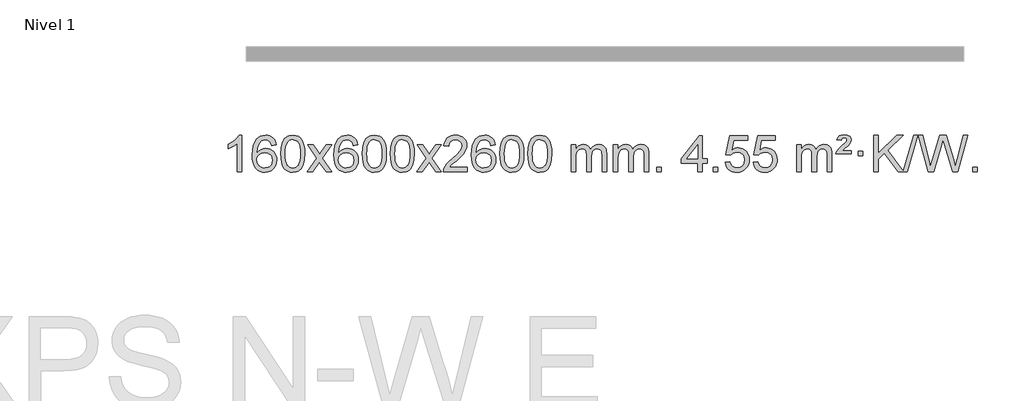
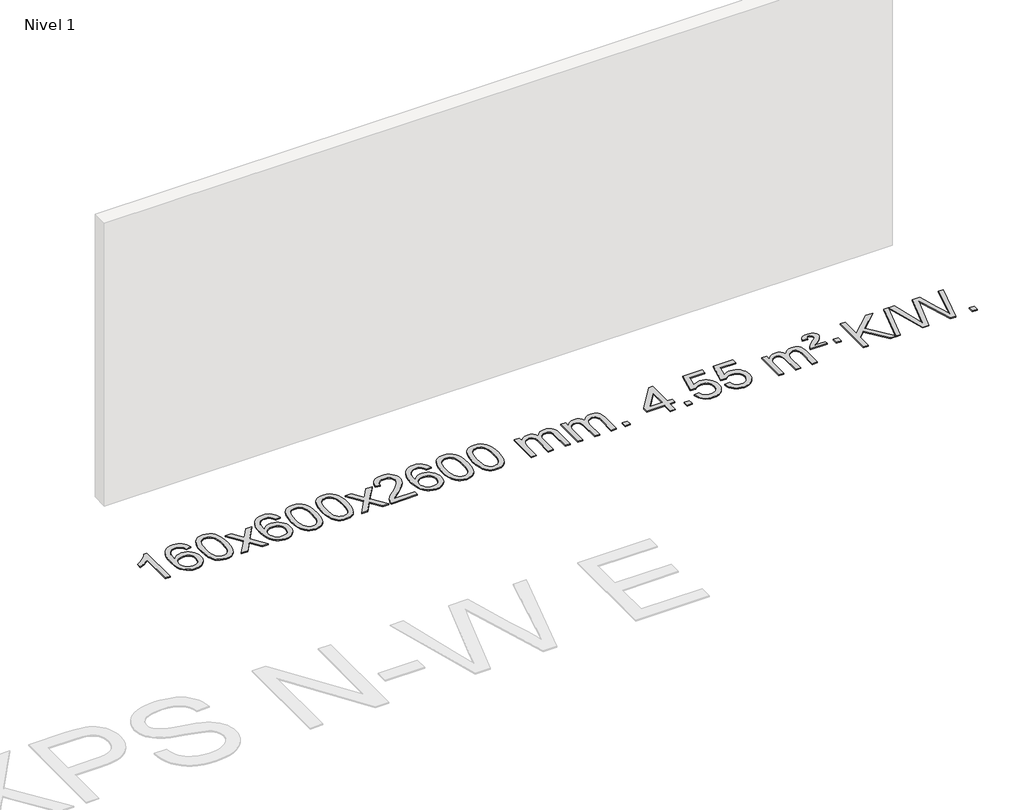
# One storey, part 4 of 12: 1 proxy.
"""IFC4 building model written with IfcOpenShell, lengths in millimetres."""

from ifc_helpers import new_model, si_unit, origin, origin_with_axes, place, context, project, spatial, polyline, outline, extrude, element, save

model = new_model("IFC4")

# Units and contexts
model_context = context("Model", 3, world=origin())
ifc_project = project(units=[si_unit("LENGTHUNIT", "METRE", prefix="MILLI")], contexts=[model_context])

# Site, building, storey
site = spatial("IfcSite", under=ifc_project)
building = spatial("IfcBuilding", under=site)
storey = spatial("IfcBuildingStorey", under=building, Name="Nivel 1", Elevation=0.0)

# Proxy
placement = place(None, origin())
element("IfcBuildingElementProxy", 1, Name="Texto de modelo 1", ObjectType="Texto de modelo 1", at=placement, inside=storey, context=model_context, shape_type="SweptSolid", body=[
    extrude(outline(polyline([(5124.5384212, -18387.579453), (5074.3102662, -18387.579453), (5074.3102662, -18074.4382987), (5053.3409924, -18091.3976587), (5026.7308615, -18108.3324932), (4973.853956, -18133.6918254), (4973.853956, -18086.2105225), (5013.3031686, -18064.7507395), (5047.479406, -18039.219729), (5074.4206308, -18012.0700378), (5092.1648057, -17985.7542124), (5124.5384212, -17985.7542124), (5124.5384212, -18387.579453)])), origin_with_axes(), (0.0, 0.0, 1.0), 10.0),
    extrude(outline(polyline([(5501.2495843, -18092.4890419), (5451.0214292, -18098.7675613), (5442.9280253, -18073.874213), (5431.9896673, -18056.8780648), (5409.2055091, -18041.2062918), (5381.6634104, -18035.9823675), (5358.3151664, -18039.0235253), (5336.3403486, -18048.1469988), (5317.4680022, -18067.3627017), (5302.0537466, -18093.8134171), (5291.6426862, -18131.227016), (5287.7799252, -18183.3313693), (5307.9275958, -18159.8237098), (5332.0729174, -18143.2567573), (5358.8669894, -18133.434308), (5386.9609111, -18130.1601582), (5411.09397, -18132.398107), (5433.3630935, -18139.1119534), (5453.7682815, -18150.3016975), (5472.309534, -18165.9673391), (5487.7176582, -18185.1769106), (5498.7234613, -18206.9984443), (5505.3269431, -18231.4319401), (5507.5281037, -18258.4773982), (5503.3832999, -18294.4439945), (5490.9488884, -18327.786366), (5471.254939, -18356.0642287), (5445.331521, -18376.8372987), (5414.355857, -18389.602804), (5379.5051694, -18393.8579724), (5349.5626406, -18391.0375437), (5322.5202483, -18382.5762579), (5298.3779924, -18368.4741147), (5277.1358728, -18348.7311143), (5259.8178279, -18322.5133908), (5247.4477958, -18288.9870783), (5240.0257766, -18248.1521768), (5237.5517702, -18200.0086864), (5240.2986224, -18146.0342663), (5248.5391791, -18099.9693092), (5262.2734402, -18061.8138149), (5281.5014058, -18031.5677835), (5302.3419209, -18011.5243462), (5326.5056366, -17997.2076052), (5353.992553, -17988.6175606), (5384.8026701, -17985.7542124), (5407.9363162, -17987.5261773), (5428.8749331, -17992.8420722), (5447.6185208, -18001.7018969), (5464.1670792, -18014.1056515), (5478.0730186, -18029.6364031), (5488.8887493, -18047.8772186), (5496.6142712, -18068.8280983), (5501.2495843, -18092.4890419)]), holes=[polyline([(5287.7799252, -18257.6925832), (5290.686193, -18279.9494439), (5299.4049963, -18301.2007605), (5312.9430537, -18319.472233), (5330.3070839, -18332.7895612), (5351.2640949, -18340.9197533), (5375.5810947, -18343.6298173), (5408.7272625, -18338.0134855), (5422.642399, -18330.9930708), (5434.7855705, -18321.1644901), (5444.6356109, -18308.9262824), (5451.6713541, -18294.6769865), (5457.2999486, -18260.1451299), (5451.7449305, -18226.9989621), (5444.8011578, -18213.3781312), (5435.0798761, -18201.725469), (5422.8999164, -18192.3904634), (5408.5801097, -18185.7226022), (5373.5209556, -18180.3883133), (5340.4238387, -18185.7226022), (5312.74685, -18201.725469), (5301.8238204, -18213.2248471), (5294.0216564, -18226.3858254), (5289.340358, -18241.2084042), (5287.7799252, -18257.6925832)])]), origin_with_axes(), (0.0, 0.0, 1.0), 10.0),
    extrude(outline(polyline([(5551.4777394, -18189.9041943), (5555.1688221, -18125.5861588), (5566.2420701, -18074.2911459), (5584.5871189, -18035.2343407), (5596.4451819, -18020.0009605), (5610.0936039, -18007.6309284), (5625.5783702, -17998.0598651), (5642.9454661, -17991.2233914), (5683.3266464, -17985.7542124), (5714.277785, -17988.991574), (5741.9915619, -17998.7036586), (5765.1681276, -18014.5103217), (5782.5076323, -18036.0314184), (5795.6042314, -18063.0830078), (5806.05208, -18095.4811488), (5812.8946851, -18136.6226186), (5815.1755535, -18189.9041943), (5811.521259, -18253.8543477), (5800.5583756, -18305.0267333), (5782.3236913, -18344.1203266), (5770.4932195, -18359.3996922), (5756.8539945, -18371.8341036), (5741.3508341, -18381.4695462), (5723.928556, -18388.3520052), (5683.3266464, -18393.8579724), (5655.6619204, -18391.4667394), (5631.1364541, -18384.2930405), (5609.7502474, -18372.3368757), (5591.5033004, -18355.5982449), (5573.9921175, -18325.3399508), (5561.4841296, -18287.6381776), (5553.9793369, -18242.4929255), (5551.4777394, -18189.9041943)]), holes=[polyline([(5601.7058944, -18189.8060924), (5603.1774224, -18233.4706195), (5607.5920064, -18268.8148822), (5614.9496463, -18295.8388804), (5625.2503421, -18314.5426142), (5637.709279, -18327.2682656), (5651.5416421, -18336.3580165), (5666.7474312, -18341.8118671), (5683.3266464, -18343.6298173), (5699.9058617, -18341.8057357), (5715.1116508, -18336.3334911), (5728.9440138, -18327.2130833), (5741.4029507, -18314.4445124), (5751.7036466, -18295.7101217), (5759.0612865, -18268.6922549), (5763.4758705, -18233.3909118), (5764.9473984, -18189.8060924), (5763.5249214, -18147.2973278), (5759.2574902, -18112.5753989), (5752.145105, -18085.6403055), (5742.1877657, -18066.4920476), (5729.9372952, -18053.1440625), (5715.9455167, -18043.6097875), (5700.21243, -18037.8892225), (5682.7380352, -18035.9823675), (5666.2446591, -18037.6623619), (5651.2963874, -18042.7023452), (5637.89322, -18051.1023175), (5626.0351571, -18062.8622786), (5615.3911047, -18083.708925), (5607.7882101, -18111.8151094), (5603.2264734, -18147.1808319), (5601.7058944, -18189.8060924)])]), origin_with_axes(), (0.0, 0.0, 1.0), 10.0),
    extrude(outline(polyline([(5840.2896311, -18387.579453), (5947.6130718, -18239.2494325), (5846.5681504, -18092.4890419), (5906.9988995, -18092.4890419), (5955.7555266, -18163.122385), (5978.5151594, -18196.4770192), (5998.2336343, -18169.2047007), (6053.7592901, -18092.4890419), (6114.1900392, -18092.4890419), (6008.0438209, -18239.2494325), (6110.2659646, -18387.579453), (6049.8352155, -18387.579453), (5988.3253459, -18298.4048574), (5977.0436314, -18282.1199477), (5900.7203801, -18387.579453), (5840.2896311, -18387.579453)])), origin_with_axes(), (0.0, 0.0, 1.0), 10.0),
    extrude(outline(polyline([(6399.0778563, -18092.4890419), (6348.8497012, -18098.7675613), (6340.7562973, -18073.874213), (6329.8179393, -18056.8780648), (6307.0337811, -18041.2062918), (6279.4916824, -18035.9823675), (6256.1434384, -18039.0235253), (6234.1686206, -18048.1469988), (6215.2962742, -18067.3627017), (6199.8820186, -18093.8134171), (6189.4709581, -18131.227016), (6185.6081972, -18183.3313693), (6205.7558678, -18159.8237098), (6229.9011894, -18143.2567573), (6256.6952614, -18133.434308), (6284.7891831, -18130.1601582), (6308.922242, -18132.398107), (6331.1913654, -18139.1119534), (6351.5965534, -18150.3016975), (6370.137806, -18165.9673391), (6385.5459302, -18185.1769106), (6396.5517332, -18206.9984443), (6403.155215, -18231.4319401), (6405.3563756, -18258.4773982), (6401.2115718, -18294.4439945), (6388.7771604, -18327.786366), (6369.0832109, -18356.0642287), (6343.159793, -18376.8372987), (6312.184129, -18389.602804), (6277.3334413, -18393.8579724), (6247.3909126, -18391.0375437), (6220.3485203, -18382.5762579), (6196.2062643, -18368.4741147), (6174.9641448, -18348.7311143), (6157.6460999, -18322.5133908), (6145.2760678, -18288.9870783), (6137.8540485, -18248.1521768), (6135.3800421, -18200.0086864), (6138.1268943, -18146.0342663), (6146.367451, -18099.9693092), (6160.1017122, -18061.8138149), (6179.3296778, -18031.5677835), (6200.1701928, -18011.5243462), (6224.3339085, -17997.2076052), (6251.820825, -17988.6175606), (6282.6309421, -17985.7542124), (6305.7645882, -17987.5261773), (6326.7032051, -17992.8420722), (6345.4467927, -18001.7018969), (6361.9953511, -18014.1056515), (6375.9012906, -18029.6364031), (6386.7170212, -18047.8772186), (6394.4425431, -18068.8280983), (6399.0778563, -18092.4890419)]), holes=[polyline([(6185.6081972, -18257.6925832), (6188.514465, -18279.9494439), (6197.2332682, -18301.2007605), (6210.7713257, -18319.472233), (6228.1353558, -18332.7895612), (6249.0923668, -18340.9197533), (6273.4093667, -18343.6298173), (6306.5555345, -18338.0134855), (6320.4706709, -18330.9930708), (6332.6138425, -18321.1644901), (6342.4638829, -18308.9262824), (6349.499626, -18294.6769865), (6355.1282206, -18260.1451299), (6349.5732024, -18226.9989621), (6342.6294298, -18213.3781312), (6332.9081481, -18201.725469), (6320.7281883, -18192.3904634), (6306.4083817, -18185.7226022), (6271.3492275, -18180.3883133), (6238.2521107, -18185.7226022), (6210.5751219, -18201.725469), (6199.6520924, -18213.2248471), (6191.8499284, -18226.3858254), (6187.16863, -18241.2084042), (6185.6081972, -18257.6925832)])]), origin_with_axes(), (0.0, 0.0, 1.0), 10.0),
    extrude(outline(polyline([(6449.3060113, -18189.9041943), (6452.997094, -18125.5861588), (6464.0703421, -18074.2911459), (6482.4153909, -18035.2343407), (6494.2734539, -18020.0009605), (6507.9218759, -18007.6309284), (6523.4066422, -17998.0598651), (6540.7737381, -17991.2233914), (6581.1549184, -17985.7542124), (6612.1060569, -17988.991574), (6639.8198339, -17998.7036586), (6662.9963996, -18014.5103217), (6680.3359043, -18036.0314184), (6693.4325033, -18063.0830078), (6703.880352, -18095.4811488), (6710.7229571, -18136.6226186), (6713.0038255, -18189.9041943), (6709.349531, -18253.8543477), (6698.3866475, -18305.0267333), (6680.1519633, -18344.1203266), (6668.3214915, -18359.3996922), (6654.6822665, -18371.8341036), (6639.1791061, -18381.4695462), (6621.7568279, -18388.3520052), (6581.1549184, -18393.8579724), (6553.4901924, -18391.4667394), (6528.964726, -18384.2930405), (6507.5785194, -18372.3368757), (6489.3315724, -18355.5982449), (6471.8203894, -18325.3399508), (6459.3124016, -18287.6381776), (6451.8076089, -18242.4929255), (6449.3060113, -18189.9041943)]), holes=[polyline([(6499.5341664, -18189.8060924), (6501.0056944, -18233.4706195), (6505.4202783, -18268.8148822), (6512.7779182, -18295.8388804), (6523.0786141, -18314.5426142), (6535.537551, -18327.2682656), (6549.369914, -18336.3580165), (6564.5757032, -18341.8118671), (6581.1549184, -18343.6298173), (6597.7341337, -18341.8057357), (6612.9399228, -18336.3334911), (6626.7722858, -18327.2130833), (6639.2312227, -18314.4445124), (6649.5319186, -18295.7101217), (6656.8895585, -18268.6922549), (6661.3041424, -18233.3909118), (6662.7756704, -18189.8060924), (6661.3531934, -18147.2973278), (6657.0857622, -18112.5753989), (6649.973377, -18085.6403055), (6640.0160376, -18066.4920476), (6627.7655672, -18053.1440625), (6613.7737886, -18043.6097875), (6598.040702, -18037.8892225), (6580.5663072, -18035.9823675), (6564.0729311, -18037.6623619), (6549.1246594, -18042.7023452), (6535.721492, -18051.1023175), (6523.863429, -18062.8622786), (6513.2193766, -18083.708925), (6505.6164821, -18111.8151094), (6501.0547453, -18147.1808319), (6499.5341664, -18189.8060924)])]), origin_with_axes(), (0.0, 0.0, 1.0), 10.0),
    extrude(outline(polyline([(6756.9534612, -18189.9041943), (6760.6445439, -18125.5861588), (6771.7177919, -18074.2911459), (6790.0628407, -18035.2343407), (6801.9209037, -18020.0009605), (6815.5693257, -18007.6309284), (6831.054092, -17998.0598651), (6848.4211879, -17991.2233914), (6888.8023682, -17985.7542124), (6919.7535068, -17988.991574), (6947.4672837, -17998.7036586), (6970.6438494, -18014.5103217), (6987.9833541, -18036.0314184), (7001.0799532, -18063.0830078), (7011.5278018, -18095.4811488), (7018.3704069, -18136.6226186), (7020.6512753, -18189.9041943), (7016.9969808, -18253.8543477), (7006.0340974, -18305.0267333), (6987.7994131, -18344.1203266), (6975.9689413, -18359.3996922), (6962.3297163, -18371.8341036), (6946.8265559, -18381.4695462), (6929.4042778, -18388.3520052), (6888.8023682, -18393.8579724), (6861.1376422, -18391.4667394), (6836.6121759, -18384.2930405), (6815.2259692, -18372.3368757), (6796.9790222, -18355.5982449), (6779.4678393, -18325.3399508), (6766.9598514, -18287.6381776), (6759.4550587, -18242.4929255), (6756.9534612, -18189.9041943)]), holes=[polyline([(6807.1816162, -18189.8060924), (6808.6531442, -18233.4706195), (6813.0677282, -18268.8148822), (6820.4253681, -18295.8388804), (6830.7260639, -18314.5426142), (6843.1850008, -18327.2682656), (6857.0173639, -18336.3580165), (6872.223153, -18341.8118671), (6888.8023682, -18343.6298173), (6905.3815835, -18341.8057357), (6920.5873726, -18336.3334911), (6934.4197356, -18327.2130833), (6946.8786725, -18314.4445124), (6957.1793684, -18295.7101217), (6964.5370083, -18268.6922549), (6968.9515923, -18233.3909118), (6970.4231202, -18189.8060924), (6969.0006432, -18147.2973278), (6964.733212, -18112.5753989), (6957.6208268, -18085.6403055), (6947.6634875, -18066.4920476), (6935.413017, -18053.1440625), (6921.4212385, -18043.6097875), (6905.6881518, -18037.8892225), (6888.213757, -18035.9823675), (6871.7203809, -18037.6623619), (6856.7721092, -18042.7023452), (6843.3689418, -18051.1023175), (6831.5108789, -18062.8622786), (6820.8668265, -18083.708925), (6813.2639319, -18111.8151094), (6808.7021952, -18147.1808319), (6807.1816162, -18189.8060924)])]), origin_with_axes(), (0.0, 0.0, 1.0), 10.0),
    extrude(outline(polyline([(7045.7653528, -18387.579453), (7153.0887936, -18239.2494325), (7052.0438722, -18092.4890419), (7112.4746213, -18092.4890419), (7161.2312484, -18163.122385), (7183.9908812, -18196.4770192), (7203.7093561, -18169.2047007), (7259.2350119, -18092.4890419), (7319.665761, -18092.4890419), (7213.5195426, -18239.2494325), (7315.7416864, -18387.579453), (7255.3109373, -18387.579453), (7193.8010677, -18298.4048574), (7182.5193532, -18282.1199477), (7106.1961019, -18387.579453), (7045.7653528, -18387.579453)])), origin_with_axes(), (0.0, 0.0, 1.0), 10.0),
    extrude(outline(polyline([(7604.5535781, -18337.3512979), (7604.5535781, -18387.579453), (7340.8557639, -18387.579453), (7341.9594099, -18369.8965918), (7346.2513665, -18352.9494945), (7358.636727, -18325.8856424), (7376.7610466, -18299.6311307), (7402.9787702, -18272.1503456), (7439.6443423, -18241.4076736), (7493.845623, -18193.2641831), (7526.3663913, -18157.7267824), (7542.6267755, -18128.884834), (7548.0469036, -18100.8277005), (7542.9333439, -18075.6768347), (7527.5926647, -18054.7688747), (7504.0114288, -18040.6789943), (7474.176199, -18035.9823675), (7442.8449157, -18040.5686297), (7418.5033904, -18054.3274163), (7402.7948292, -18076.1796068), (7397.3624384, -18105.0460807), (7347.1342833, -18098.7675613), (7351.4538311, -18072.838012), (7359.3111773, -18050.1826125), (7370.7063221, -18030.8013627), (7385.6392655, -18014.6942627), (7403.7666508, -18002.0329907), (7424.7451215, -17992.989225), (7448.5746778, -17987.5629655), (7475.2553195, -17985.7542124), (7502.1750845, -17987.7653006), (7526.1333994, -17993.7985654), (7547.1302643, -18003.8540066), (7565.1656791, -18017.9316242), (7579.6510327, -18034.9890861), (7589.9977138, -18053.9840598), (7596.2057224, -18074.9165453), (7598.2750587, -18097.7865427), (7596.0432412, -18121.8092369), (7589.3477889, -18145.4149983), (7577.4652005, -18169.4254299), (7559.6719746, -18194.6621347), (7531.3082728, -18224.7916701), (7487.7142564, -18263.4805933), (7429.9322577, -18311.795762), (7407.2707268, -18337.3512979), (7604.5535781, -18337.3512979)])), origin_with_axes(), (0.0, 0.0, 1.0), 10.0),
    extrude(outline(polyline([(7912.2010279, -18092.4890419), (7861.9728728, -18098.7675613), (7853.8794689, -18073.874213), (7842.9411109, -18056.8780648), (7820.1569527, -18041.2062918), (7792.614854, -18035.9823675), (7769.26661, -18039.0235253), (7747.2917922, -18048.1469988), (7728.4194458, -18067.3627017), (7713.0051902, -18093.8134171), (7702.5941298, -18131.227016), (7698.7313688, -18183.3313693), (7718.8790394, -18159.8237098), (7743.024361, -18143.2567573), (7769.818433, -18133.434308), (7797.9123547, -18130.1601582), (7822.0454136, -18132.398107), (7844.314537, -18139.1119534), (7864.719725, -18150.3016975), (7883.2609776, -18165.9673391), (7898.6691018, -18185.1769106), (7909.6749049, -18206.9984443), (7916.2783867, -18231.4319401), (7918.4795473, -18258.4773982), (7914.3347435, -18294.4439945), (7901.900332, -18327.786366), (7882.2063825, -18356.0642287), (7856.2829646, -18376.8372987), (7825.3073006, -18389.602804), (7790.4566129, -18393.8579724), (7760.5140842, -18391.0375437), (7733.4716919, -18382.5762579), (7709.329436, -18368.4741147), (7688.0873164, -18348.7311143), (7670.7692715, -18322.5133908), (7658.3992394, -18288.9870783), (7650.9772202, -18248.1521768), (7648.5032137, -18200.0086864), (7651.250066, -18146.0342663), (7659.4906227, -18099.9693092), (7673.2248838, -18061.8138149), (7692.4528494, -18031.5677835), (7713.2933645, -18011.5243462), (7737.4570802, -17997.2076052), (7764.9439966, -17988.6175606), (7795.7541137, -17985.7542124), (7818.8877598, -17987.5261773), (7839.8263767, -17992.8420722), (7858.5699644, -18001.7018969), (7875.1185228, -18014.1056515), (7889.0244622, -18029.6364031), (7899.8401928, -18047.8772186), (7907.5657147, -18068.8280983), (7912.2010279, -18092.4890419)]), holes=[polyline([(7698.7313688, -18257.6925832), (7701.6376366, -18279.9494439), (7710.3564399, -18301.2007605), (7723.8944973, -18319.472233), (7741.2585275, -18332.7895612), (7762.2155385, -18340.9197533), (7786.5325383, -18343.6298173), (7819.6787061, -18338.0134855), (7833.5938426, -18330.9930708), (7845.7370141, -18321.1644901), (7855.5870545, -18308.9262824), (7862.6227977, -18294.6769865), (7868.2513922, -18260.1451299), (7862.6963741, -18226.9989621), (7855.7526014, -18213.3781312), (7846.0313197, -18201.725469), (7833.85136, -18192.3904634), (7819.5315533, -18185.7226022), (7784.4723992, -18180.3883133), (7751.3752823, -18185.7226022), (7723.6982936, -18201.725469), (7712.775264, -18213.2248471), (7704.9731, -18226.3858254), (7700.2918016, -18241.2084042), (7698.7313688, -18257.6925832)])]), origin_with_axes(), (0.0, 0.0, 1.0), 10.0),
    extrude(outline(polyline([(7962.429183, -18189.9041943), (7966.1202656, -18125.5861588), (7977.1935137, -18074.2911459), (7995.5385625, -18035.2343407), (8007.3966255, -18020.0009605), (8021.0450475, -18007.6309284), (8036.5298138, -17998.0598651), (8053.8969097, -17991.2233914), (8094.27809, -17985.7542124), (8125.2292286, -17988.991574), (8152.9430055, -17998.7036586), (8176.1195712, -18014.5103217), (8193.4590759, -18036.0314184), (8206.555675, -18063.0830078), (8217.0035236, -18095.4811488), (8223.8461287, -18136.6226186), (8226.1269971, -18189.9041943), (8222.4727026, -18253.8543477), (8211.5098192, -18305.0267333), (8193.2751349, -18344.1203266), (8181.4446631, -18359.3996922), (8167.8054381, -18371.8341036), (8152.3022777, -18381.4695462), (8134.8799996, -18388.3520052), (8094.27809, -18393.8579724), (8066.613364, -18391.4667394), (8042.0878976, -18384.2930405), (8020.701691, -18372.3368757), (8002.454744, -18355.5982449), (7984.9435611, -18325.3399508), (7972.4355732, -18287.6381776), (7964.9307805, -18242.4929255), (7962.429183, -18189.9041943)]), holes=[polyline([(8012.657338, -18189.8060924), (8014.128866, -18233.4706195), (8018.54345, -18268.8148822), (8025.9010899, -18295.8388804), (8036.2017857, -18314.5426142), (8048.6607226, -18327.2682656), (8062.4930856, -18336.3580165), (8077.6988748, -18341.8118671), (8094.27809, -18343.6298173), (8110.8573053, -18341.8057357), (8126.0630944, -18336.3334911), (8139.8954574, -18327.2130833), (8152.3543943, -18314.4445124), (8162.6550902, -18295.7101217), (8170.0127301, -18268.6922549), (8174.427314, -18233.3909118), (8175.898842, -18189.8060924), (8174.476365, -18147.2973278), (8170.2089338, -18112.5753989), (8163.0965486, -18085.6403055), (8153.1392093, -18066.4920476), (8140.8887388, -18053.1440625), (8126.8969603, -18043.6097875), (8111.1638736, -18037.8892225), (8093.6894788, -18035.9823675), (8077.1961027, -18037.6623619), (8062.247831, -18042.7023452), (8048.8446636, -18051.1023175), (8036.9866007, -18062.8622786), (8026.3425483, -18083.708925), (8018.7396537, -18111.8151094), (8014.1779169, -18147.1808319), (8012.657338, -18189.8060924)])]), origin_with_axes(), (0.0, 0.0, 1.0), 10.0),
    extrude(outline(polyline([(8270.0766328, -18189.9041943), (8273.7677155, -18125.5861588), (8284.8409635, -18074.2911459), (8303.1860124, -18035.2343407), (8315.0440753, -18020.0009605), (8328.6924974, -18007.6309284), (8344.1772637, -17998.0598651), (8361.5443595, -17991.2233914), (8401.9255399, -17985.7542124), (8432.8766784, -17988.991574), (8460.5904554, -17998.7036586), (8483.7670211, -18014.5103217), (8501.1065258, -18036.0314184), (8514.2031248, -18063.0830078), (8524.6509735, -18095.4811488), (8531.4935786, -18136.6226186), (8533.7744469, -18189.9041943), (8530.1201525, -18253.8543477), (8519.157269, -18305.0267333), (8500.9225848, -18344.1203266), (8489.0921129, -18359.3996922), (8475.452888, -18371.8341036), (8459.9497276, -18381.4695462), (8442.5274494, -18388.3520052), (8401.9255399, -18393.8579724), (8374.2608138, -18391.4667394), (8349.7353475, -18384.2930405), (8328.3491408, -18372.3368757), (8310.1021939, -18355.5982449), (8292.5910109, -18325.3399508), (8280.0830231, -18287.6381776), (8272.5782304, -18242.4929255), (8270.0766328, -18189.9041943)]), holes=[polyline([(8320.3047879, -18189.8060924), (8321.7763158, -18233.4706195), (8326.1908998, -18268.8148822), (8333.5485397, -18295.8388804), (8343.8492356, -18314.5426142), (8356.3081725, -18327.2682656), (8370.1405355, -18336.3580165), (8385.3463246, -18341.8118671), (8401.9255399, -18343.6298173), (8418.5047551, -18341.8057357), (8433.7105442, -18336.3334911), (8447.5429073, -18327.2130833), (8460.0018442, -18314.4445124), (8470.30254, -18295.7101217), (8477.6601799, -18268.6922549), (8482.0747639, -18233.3909118), (8483.5462919, -18189.8060924), (8482.1238148, -18147.2973278), (8477.8563837, -18112.5753989), (8470.7439984, -18085.6403055), (8460.7866591, -18066.4920476), (8448.5361887, -18053.1440625), (8434.5444101, -18043.6097875), (8418.8113234, -18037.8892225), (8401.3369287, -18035.9823675), (8384.8435526, -18037.6623619), (8369.8952808, -18042.7023452), (8356.4921135, -18051.1023175), (8344.6340505, -18062.8622786), (8333.9899981, -18083.708925), (8326.3871035, -18111.8151094), (8321.8253668, -18147.1808319), (8320.3047879, -18189.8060924)])]), origin_with_axes(), (0.0, 0.0, 1.0), 10.0),
    extrude(outline(polyline([(8747.244106, -18387.579453), (8747.244106, -18092.4890419), (8797.4722611, -18092.4890419), (8797.4722611, -18141.0494653), (8812.5799483, -18118.7435537), (8832.0041177, -18101.2691589), (8855.0825815, -18089.9751816), (8881.1531522, -18086.2105225), (8909.0876584, -18090.048758), (8931.4794092, -18101.5634645), (8948.2057772, -18119.9943524), (8959.1441352, -18144.5811324), (8977.4523959, -18119.0439906), (8998.3358304, -18100.803175), (9021.794439, -18089.8586857), (9047.8282215, -18086.2105225), (9067.9360383, -18087.7280358), (9085.585177, -18092.2805755), (9100.7756377, -18099.8681416), (9113.5074204, -18110.4907342), (9123.5720587, -18124.2709806), (9130.761086, -18141.3315082), (9135.0745024, -18161.6723168), (9136.5123078, -18185.2934066), (9136.5123078, -18387.579453), (9086.2841528, -18387.579453), (9086.2841528, -18206.875817), (9085.1191931, -18181.8230531), (9081.6243142, -18164.9372695), (9075.0760146, -18153.3735121), (9064.7507933, -18144.2868268), (9051.4702533, -18138.4007149), (9036.0559977, -18136.4386776), (9008.8449928, -18141.4663982), (8986.6617085, -18156.54956), (8978.0563355, -18168.1194488), (8971.9096405, -18182.7182326), (8966.9922845, -18221.0024856), (8966.9922845, -18387.579453), (8916.7641294, -18387.579453), (8916.7641294, -18201.2840106), (8913.8578616, -18172.8835206), (8905.1390583, -18152.6254854), (8889.7983791, -18140.4853796), (8867.0264836, -18136.4386776), (8847.6758907, -18139.1364789), (8829.8458767, -18147.2298828), (8815.1305968, -18160.5226856), (8805.1242066, -18178.8186835), (8799.3852475, -18204.2025411), (8797.4722611, -18238.7589232), (8797.4722611, -18387.579453), (8747.244106, -18387.579453)])), origin_with_axes(), (0.0, 0.0, 1.0), 10.0),
    extrude(outline(polyline([(9211.8545404, -18387.579453), (9211.8545404, -18092.4890419), (9262.0826955, -18092.4890419), (9262.0826955, -18141.0494653), (9277.1903828, -18118.7435537), (9296.6145521, -18101.2691589), (9319.693016, -18089.9751816), (9345.7635867, -18086.2105225), (9373.6980929, -18090.048758), (9396.0898436, -18101.5634645), (9412.8162117, -18119.9943524), (9423.7545697, -18144.5811324), (9442.0628303, -18119.0439906), (9462.9462649, -18100.803175), (9486.4048734, -18089.8586857), (9512.438656, -18086.2105225), (9532.5464727, -18087.7280358), (9550.1956114, -18092.2805755), (9565.3860721, -18099.8681416), (9578.1178548, -18110.4907342), (9588.1824931, -18124.2709806), (9595.3715204, -18141.3315082), (9599.6849368, -18161.6723168), (9601.1227423, -18185.2934066), (9601.1227423, -18387.579453), (9550.8945872, -18387.579453), (9550.8945872, -18206.875817), (9549.7296276, -18181.8230531), (9546.2347486, -18164.9372695), (9539.6864491, -18153.3735121), (9529.3612278, -18144.2868268), (9516.0806877, -18138.4007149), (9500.6664321, -18136.4386776), (9473.4554272, -18141.4663982), (9451.2721429, -18156.54956), (9442.6667699, -18168.1194488), (9436.5200749, -18182.7182326), (9431.6027189, -18221.0024856), (9431.6027189, -18387.579453), (9381.3745638, -18387.579453), (9381.3745638, -18201.2840106), (9378.4682961, -18172.8835206), (9369.7494928, -18152.6254854), (9354.4088136, -18140.4853796), (9331.6369181, -18136.4386776), (9312.2863251, -18139.1364789), (9294.4563111, -18147.2298828), (9279.7410313, -18160.5226856), (9269.734641, -18178.8186835), (9263.9956819, -18204.2025411), (9262.0826955, -18238.7589232), (9262.0826955, -18387.579453), (9211.8545404, -18387.579453)])), origin_with_axes(), (0.0, 0.0, 1.0), 10.0),
    extrude(outline(polyline([(9689.0220137, -18387.579453), (9689.0220137, -18337.3512979), (9739.2501687, -18337.3512979), (9739.2501687, -18387.579453), (9689.0220137, -18387.579453)])), origin_with_axes(), (0.0, 0.0, 1.0), 10.0),
    extrude(outline(polyline([(10141.0754093, -18387.579453), (10141.0754093, -18293.4016622), (9958.9983472, -18293.4016622), (9958.9983472, -18243.1735072), (10153.6324481, -17992.0327318), (10191.3035644, -17992.0327318), (10191.3035644, -18243.1735072), (10241.5317195, -18243.1735072), (10241.5317195, -18293.4016622), (10191.3035644, -18293.4016622), (10191.3035644, -18387.579453), (10141.0754093, -18387.579453)]), holes=[polyline([(10141.0754093, -18243.1735072), (10141.0754093, -18087.9763561), (10020.8025224, -18243.1735072), (10141.0754093, -18243.1735072)])]), origin_with_axes(), (0.0, 0.0, 1.0), 10.0),
    extrude(outline(polyline([(10310.5954327, -18387.579453), (10310.5954327, -18337.3512979), (10360.8235878, -18337.3512979), (10360.8235878, -18387.579453), (10310.5954327, -18387.579453)])), origin_with_axes(), (0.0, 0.0, 1.0), 10.0),
    extrude(outline(polyline([(10442.4443398, -18280.8446235), (10492.6724949, -18274.5661041), (10501.8940702, -18304.7201649), (10517.9827761, -18326.3148381), (10540.8650362, -18339.3010725), (10570.4672741, -18343.6298173), (10589.5971379, -18342.1245668), (10606.4706587, -18337.6088153), (10621.0878366, -18330.0825628), (10633.4486717, -18319.5458094), (10643.2772523, -18306.519721), (10650.2976671, -18291.5254641), (10655.9139988, -18255.6324441), (10650.6532863, -18221.8363514), (10644.0773957, -18207.9181493), (10634.8711487, -18195.9865099), (10623.0038887, -18186.4154467), (10608.4449587, -18179.5789729), (10571.252089, -18174.1097939), (10546.8860382, -18176.2925604), (10527.1553005, -18182.8408599), (10511.3976884, -18192.8717757), (10498.9510142, -18205.5023908), (10448.7228592, -18199.2238715), (10492.6724949, -17992.0327318), (10687.3065958, -17992.0327318), (10687.3065958, -18042.2608869), (10533.2866671, -18042.2608869), (10511.8023586, -18152.919791), (10529.5281394, -18140.2155994), (10547.6831159, -18131.1411769), (10566.267288, -18125.6965234), (10585.2806558, -18123.8816388), (10609.7417428, -18126.1318504), (10632.2101356, -18132.882485), (10652.6858343, -18144.1335427), (10671.1688389, -18159.8850234), (10686.4696642, -18179.1743027), (10697.3988252, -18201.038756), (10703.9563217, -18225.4783832), (10706.1421539, -18252.4931844), (10704.1739852, -18278.5147042), (10698.2694792, -18302.7213394), (10688.4286359, -18325.1130902), (10674.6514551, -18345.6899565), (10653.7802833, -18366.7634634), (10629.4264952, -18381.8159684), (10601.5900909, -18390.8474714), (10570.2710704, -18393.8579724), (10544.3507181, -18391.9235262), (10520.9380948, -18386.1201877), (10500.0332004, -18376.447957), (10481.636035, -18362.9068338), (10466.3290783, -18346.1712688), (10454.6948102, -18326.915712), (10446.7332307, -18305.1401636), (10442.4443398, -18280.8446235)])), origin_with_axes(), (0.0, 0.0, 1.0), 10.0),
    extrude(outline(polyline([(10750.0917896, -18280.8446235), (10800.3199447, -18274.5661041), (10809.54152, -18304.7201649), (10825.630226, -18326.3148381), (10848.5124861, -18339.3010725), (10878.1147239, -18343.6298173), (10897.2445877, -18342.1245668), (10914.1181085, -18337.6088153), (10928.7352865, -18330.0825628), (10941.0961215, -18319.5458094), (10950.9247021, -18306.519721), (10957.9451169, -18291.5254641), (10963.5614487, -18255.6324441), (10958.3007361, -18221.8363514), (10951.7248455, -18207.9181493), (10942.5185986, -18195.9865099), (10930.6513385, -18186.4154467), (10916.0924086, -18179.5789729), (10878.8995389, -18174.1097939), (10854.533488, -18176.2925604), (10834.8027504, -18182.8408599), (10819.0451382, -18192.8717757), (10806.5984641, -18205.5023908), (10756.370309, -18199.2238715), (10800.3199447, -17992.0327318), (10994.9540456, -17992.0327318), (10994.9540456, -18042.2608869), (10840.934117, -18042.2608869), (10819.4498084, -18152.919791), (10837.1755892, -18140.2155994), (10855.3305657, -18131.1411769), (10873.9147378, -18125.6965234), (10892.9281056, -18123.8816388), (10917.3891926, -18126.1318504), (10939.8575855, -18132.882485), (10960.3332842, -18144.1335427), (10978.8162887, -18159.8850234), (10994.1171141, -18179.1743027), (11005.046275, -18201.038756), (11011.6037716, -18225.4783832), (11013.7896038, -18252.4931844), (11011.8214351, -18278.5147042), (11005.9169291, -18302.7213394), (10996.0760857, -18325.1130902), (10982.298905, -18345.6899565), (10961.4277331, -18366.7634634), (10937.073945, -18381.8159684), (10909.2375407, -18390.8474714), (10877.9185202, -18393.8579724), (10851.998168, -18391.9235262), (10828.5855447, -18386.1201877), (10807.6806503, -18376.447957), (10789.2834848, -18362.9068338), (10773.9765281, -18346.1712688), (10762.3422601, -18326.915712), (10754.3806805, -18305.1401636), (10750.0917896, -18280.8446235)])), origin_with_axes(), (0.0, 0.0, 1.0), 10.0),
    extrude(outline(polyline([(11227.2592628, -18387.579453), (11227.2592628, -18092.4890419), (11277.4874179, -18092.4890419), (11277.4874179, -18141.0494653), (11292.5951052, -18118.7435537), (11312.0192745, -18101.2691589), (11335.0977383, -18089.9751816), (11361.1683091, -18086.2105225), (11389.1028152, -18090.048758), (11411.494566, -18101.5634645), (11428.2209341, -18119.9943524), (11439.159292, -18144.5811324), (11457.4675527, -18119.0439906), (11478.3509873, -18100.803175), (11501.8095958, -18089.8586857), (11527.8433783, -18086.2105225), (11547.9511951, -18087.7280358), (11565.6003338, -18092.2805755), (11580.7907945, -18099.8681416), (11593.5225772, -18110.4907342), (11603.5872155, -18124.2709806), (11610.7762428, -18141.3315082), (11615.0896592, -18161.6723168), (11616.5274647, -18185.2934066), (11616.5274647, -18387.579453), (11566.2993096, -18387.579453), (11566.2993096, -18206.875817), (11565.1343499, -18181.8230531), (11561.639471, -18164.9372695), (11555.0911715, -18153.3735121), (11544.7659501, -18144.2868268), (11531.4854101, -18138.4007149), (11516.0711545, -18136.4386776), (11488.8601496, -18141.4663982), (11466.6768653, -18156.54956), (11458.0714923, -18168.1194488), (11451.9247973, -18182.7182326), (11447.0074413, -18221.0024856), (11447.0074413, -18387.579453), (11396.7792862, -18387.579453), (11396.7792862, -18201.2840106), (11393.8730184, -18172.8835206), (11385.1542152, -18152.6254854), (11369.813536, -18140.4853796), (11347.0416405, -18136.4386776), (11327.6910475, -18139.1364789), (11309.8610335, -18147.2298828), (11295.1457537, -18160.5226856), (11285.1393634, -18178.8186835), (11279.4004043, -18204.2025411), (11277.4874179, -18238.7589232), (11277.4874179, -18387.579453), (11227.2592628, -18387.579453)])), origin_with_axes(), (0.0, 0.0, 1.0), 10.0),
    extrude(outline(polyline([(11660.4771003, -18186.6668327), (11664.3030731, -18170.8479069), (11672.6417317, -18154.9799302), (11694.1505656, -18129.8413272), (11726.1072483, -18102.1030247), (11770.2530877, -18064.726214), (11777.3899984, -18053.1992448), (11779.7689686, -18041.3779701), (11777.8805077, -18029.2869152), (11772.215125, -18019.5012541), (11762.8463969, -18013.026531), (11749.8478997, -18010.8682899), (11737.4134883, -18012.4869707), (11728.5597949, -18017.343013), (11722.1341227, -18026.8098431), (11716.9837748, -18042.2608869), (11666.7556197, -18035.9823675), (11677.5958759, -18010.7701881), (11694.224142, -17993.2099542), (11717.9893189, -17982.9092583), (11750.2403072, -17979.475693), (11786.0229626, -17983.6082341), (11810.7691581, -17996.0058573), (11825.1901323, -18014.3386434), (11829.9971237, -18036.2766731), (11825.9013708, -18059.1834586), (11813.6141122, -18080.8149199), (11793.0862969, -18100.6314968), (11756.6169284, -18128.6886303), (11731.0123416, -18155.2742358), (11829.9971237, -18155.2742358), (11829.9971237, -18186.6668327), (11660.4771003, -18186.6668327)])), origin_with_axes(), (0.0, 0.0, 1.0), 10.0),
    extrude(outline(polyline([(11905.3393563, -18211.7809102), (11905.3393563, -18161.5527552), (11955.5675114, -18161.5527552), (11955.5675114, -18211.7809102), (11905.3393563, -18211.7809102)])), origin_with_axes(), (0.0, 0.0, 1.0), 10.0),
    extrude(outline(polyline([(12346.2091394, -18387.579453), (12192.7778219, -18184.9009991), (12125.0875348, -18249.4520265), (12125.0875348, -18387.579453), (12074.8593797, -18387.579453), (12074.8593797, -17985.7542124), (12125.0875348, -17985.7542124), (12125.0875348, -18182.4484525), (12331.1014521, -17985.7542124), (12401.3423877, -17985.7542124), (12228.388799, -18150.9577537), (12403.0424089, -18381.5349332), (12514.3557366, -17985.7542124), (12559.6787984, -17985.7542124), (12446.6654495, -18387.579453), (12407.6209071, -18387.579453), (12401.3423877, -18387.579453), (12346.2091394, -18387.579453)])), origin_with_axes(), (0.0, 0.0, 1.0), 10.0),
    extrude(outline(polyline([(12674.1636753, -18387.579453), (12564.5838917, -17985.7542124), (12616.3816766, -17985.7542124), (12679.9516854, -18249.844434), (12699.5720585, -18331.3670841), (12720.5658576, -18259.2622131), (12800.2245723, -17985.7542124), (12874.8800919, -17985.7542124), (12932.7601925, -18184.0180823), (12957.5554389, -18257.5944814), (12975.8269114, -18331.3670841), (12994.8586732, -18252.1988788), (13059.0172932, -17985.7542124), (13110.8150781, -17985.7542124), (13001.1371926, -18387.579453), (12947.4754723, -18387.579453), (12851.1394405, -18077.5775584), (12837.6994849, -18034.3146358), (12822.5917976, -18086.4067263), (12734.7906281, -18387.579453), (12674.1636753, -18387.579453)])), origin_with_axes(), (0.0, 0.0, 1.0), 10.0),
    extrude(outline(polyline([(13167.3217526, -18387.579453), (13167.3217526, -18337.3512979), (13217.5499077, -18337.3512979), (13217.5499077, -18387.579453), (13167.3217526, -18387.579453)])), origin_with_axes(), (0.0, 0.0, 1.0), 10.0),
])

save(model, "model.ifc")
